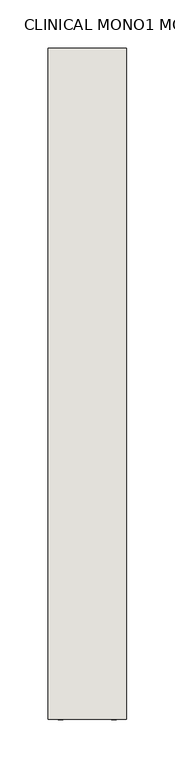
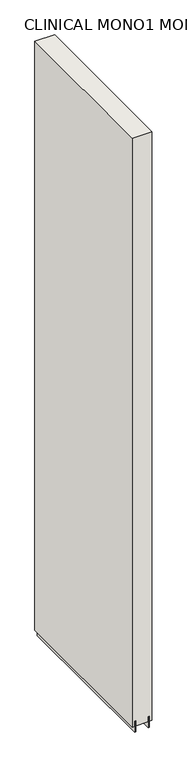
"""IFC4 building model written with IfcOpenShell, lengths in millimetres: wall geometry, CLINICAL MONO1 MONO5 256856 : CLINICAL MONO1 MONO5 256856."""

from ifc_helpers import new_model, si_unit, frame, origin, place, context, project, spatial, polyline, outline, extrude, source, transform, mapped, element, save


def clinical_mono1_mono5_256856_clinical_mono1_mono5_256856_b75b4ff8(model_context):
    return source(origin(), model_context, "Body", "SweptSolid", [
        extrude(outline(polyline([(84662.2605202, -52274.026008), (84662.2605202, -52276.566008), (84659.7205202, -52276.566008), (84659.7205202, -52274.026008), (84662.2605202, -52274.026008)])), frame((0.0, 0.0, 4419.6), z_axis=(0.0, 0.0, 1.0), x_axis=(1.0, 0.0, 0.0)), (0.0, 0.0, 1.0), 2.54),
        extrude(outline(polyline([(84635.9253938, -52274.0123428), (84635.9253938, -52967.4584032), (84630.8218226, -52967.4584032), (84630.8218226, -52274.0123428), (84635.9253938, -52274.0123428)])), frame((0.0, 0.0, 4418.6602), z_axis=(0.0, 0.0, 1.0), x_axis=(1.0, 0.0, 0.0)), (0.0, 0.0, 1.0), 47.625),
        extrude(outline(polyline([(84635.9253938, -52274.0123428), (84635.9253938, -52967.4584032), (84630.8218226, -52967.4584032), (84630.8218226, -52274.0123428), (84635.9253938, -52274.0123428)])), frame((0.0, 0.0, 4418.6602), z_axis=(0.0, 0.0, 1.0), x_axis=(1.0, 0.0, 0.0)), (0.0, 0.0, 1.0), 47.625),
        extrude(outline(polyline([(84686.0618696, -52967.4584032), (84686.0618696, -52274.0123428), (84691.1468226, -52274.0123428), (84691.1468226, -52967.4584032), (84686.0618696, -52967.4584032)])), frame((0.0, 0.0, 4418.6602), z_axis=(0.0, 0.0, 1.0), x_axis=(1.0, 0.0, 0.0)), (0.0, 0.0, 1.0), 47.625),
        extrude(outline(polyline([(84686.0618696, -52967.4584032), (84686.0618696, -52274.0123428), (84691.1468226, -52274.0123428), (84691.1468226, -52967.4584032), (84686.0618696, -52967.4584032)])), frame((0.0, 0.0, 4418.6602), z_axis=(0.0, 0.0, 1.0), x_axis=(1.0, 0.0, 0.0)), (0.0, 0.0, 1.0), 47.625),
        extrude(outline(polyline([(84620.354254, -52274.0123428), (84701.6330094, -52274.0123428), (84701.6330094, -52967.4584032), (84620.354254, -52967.4584032), (84620.354254, -52274.0123428)])), frame((0.0, 0.0, 4445.0), z_axis=(0.0, 0.0, 1.0), x_axis=(1.0, 0.0, 0.0)), (0.0, 0.0, 1.0), 2562.4536762),
    ])


if __name__ == "__main__":
    model = new_model("IFC4")
    model_context = context("Model", 3, world=origin())
    ifc_project = project(units=[si_unit("LENGTHUNIT", "METRE", prefix="MILLI")], contexts=[model_context])
    site = spatial("IfcSite", under=ifc_project)
    building = spatial("IfcBuilding", under=site)
    placement = place(None, origin())
    clinical_mono1_mono5_256856_clinical_mono1_mono5_256856_shape = clinical_mono1_mono5_256856_clinical_mono1_mono5_256856_b75b4ff8(model_context)
    element("IfcWall", 1, ObjectType="CLINICAL MONO1 MONO5 256856 : CLINICAL MONO1 MONO5 256856", at=placement, inside=building, context=model_context, shape_type="MappedRepresentation", body=[
        mapped(clinical_mono1_mono5_256856_clinical_mono1_mono5_256856_shape, transform((0.0, 0.0, 0.0), x_axis=(1.0, 0.0, 0.0), y_axis=(0.0, 1.0, 0.0), z_axis=(0.0, 0.0, 1.0))),
    ])
    save(model, "model.ifc")
